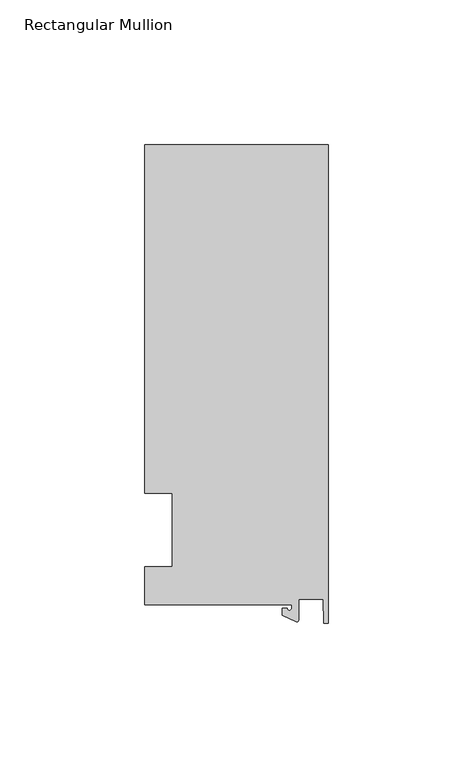
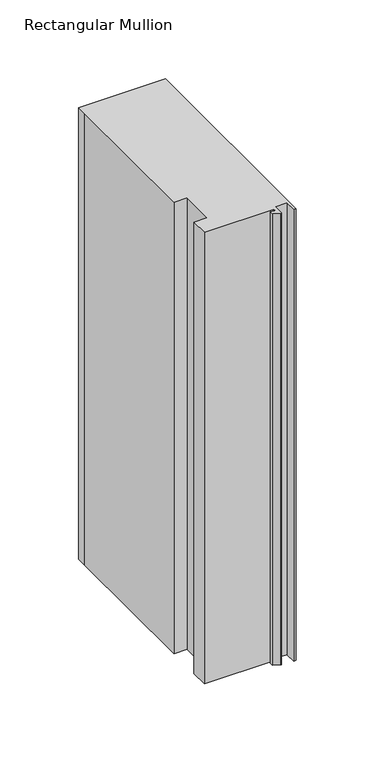
"""IFC4 building model written with IfcOpenShell, lengths in millimetres: member geometry, Rectangular Mullion."""

from ifc_helpers import new_model, si_unit, point, frame, frame_2d, origin, place, context, project, spatial, polyline, circle_curve, trimmed, segment, composite_curve, outline, extrude, source, transform, mapped, element, save


def rectangular_mullion_54489bbd(model_context):
    return source(origin(), model_context, "Body", "SweptSolid", [
        extrude(outline(composite_curve([segment(polyline([(-12.6173814, -25.796875), (-63.5, -25.796875), (-63.5, -12.7), (-53.975, -12.7), (-53.975, 12.7), (-63.5, 12.7), (-63.5, 125.8114907), (-63.5, 133.34365), (0.0, 133.34365), (0.0, -32.288874), (-1.5658966, -32.288874), (-1.7144124, -23.9227662), (-10.2297814, -23.9227662), (-10.2297814, -31.2414327)]), True, "CONTINUOUS"), segment(trimmed(circle_curve(frame_2d((-10.7377814, -31.2414327)), 0.508), [point((-10.2297814, -31.2414327))], [point((-10.9524715, -31.7018371))], False, "CARTESIAN"), True, "CONTINUOUS"), segment(polyline([(-10.9524715, -31.7018371), (-15.7923814, -29.44495), (-15.7923814, -27.0827507), (-14.2048814, -27.0827507)]), True, "CONTINUOUS"), segment(trimmed(circle_curve(frame_2d((-13.4111314, -27.0827507)), 0.79375), [point((-14.2048814, -27.0827507))], [point((-12.6173814, -27.0827507))], True, "CARTESIAN"), True, "CONTINUOUS"), segment(polyline([(-12.6173814, -27.0827507), (-12.6173814, -25.796875)]), True, "CONTINUOUS")], self_intersect=False)), frame((0.0, 0.0, -349.25), z_axis=(0.0, 0.0, 1.0), x_axis=(1.0, 0.0, 0.0)), (0.0, 0.0, 1.0), 349.25),
    ])


if __name__ == "__main__":
    model = new_model("IFC4")
    model_context = context("Model", 3, world=origin())
    ifc_project = project(units=[si_unit("LENGTHUNIT", "METRE", prefix="MILLI")], contexts=[model_context])
    site = spatial("IfcSite", under=ifc_project)
    building = spatial("IfcBuilding", under=site)
    placement = place(None, origin())
    rectangular_mullion_shape = rectangular_mullion_54489bbd(model_context)
    element("IfcMember", 1, ObjectType="Rectangular Mullion", at=placement, inside=building, context=model_context, shape_type="MappedRepresentation", body=[
        mapped(rectangular_mullion_shape, transform((0.0, 0.0, 0.0), x_axis=(1.0, 0.0, 0.0), y_axis=(0.0, 1.0, 0.0), z_axis=(0.0, 0.0, 1.0))),
    ])
    save(model, "model.ifc")
